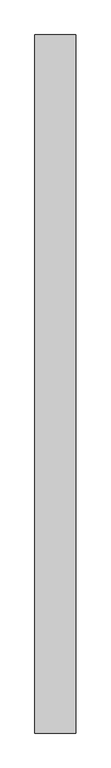
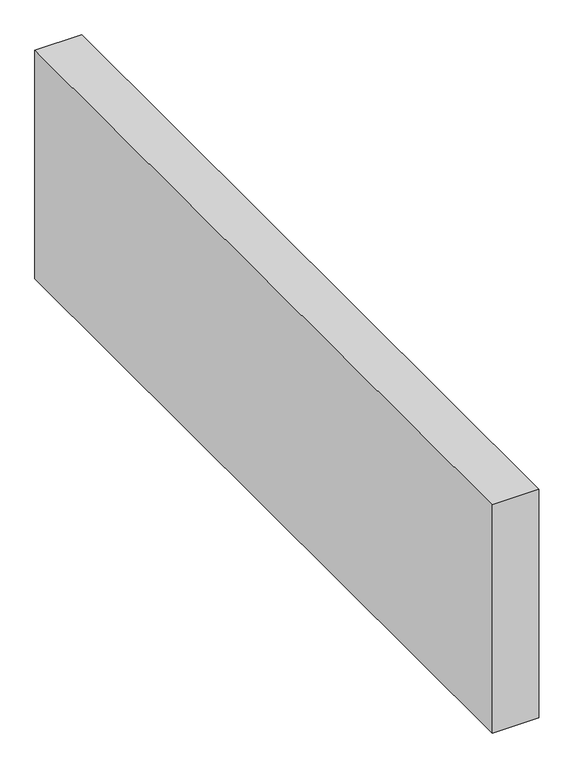
"""IFC4 building model written with IfcOpenShell, lengths in millimetres: proxy geometry."""

from ifc_helpers import new_model, si_unit, origin, origin_with_axes, place, context, project, spatial, polyline, outline, extrude, source, transform, mapped, element, save


def generic_models_b4a5a466(model_context):
    return source(origin(), model_context, "Body", "SweptSolid", [
        extrude(outline(polyline([(150.0, 2550.1247157), (150.0, 0.0), (0.0, 0.0), (0.0, 2550.1247157), (150.0, 2550.1247157)])), origin_with_axes(), (0.0, 0.0, 1.0), 776.6553396),
    ])


if __name__ == "__main__":
    model = new_model("IFC4")
    model_context = context("Model", 3, world=origin())
    ifc_project = project(units=[si_unit("LENGTHUNIT", "METRE", prefix="MILLI")], contexts=[model_context])
    site = spatial("IfcSite", under=ifc_project)
    building = spatial("IfcBuilding", under=site)
    placement = place(None, origin())
    generic_models_shape = generic_models_b4a5a466(model_context)
    element("IfcBuildingElementProxy", 1, Name="Generic Models", at=placement, inside=building, context=model_context, shape_type="MappedRepresentation", body=[
        mapped(generic_models_shape, transform((0.0, 0.0, 0.0), x_axis=(1.0, 0.0, 0.0), y_axis=(0.0, 1.0, 0.0), z_axis=(0.0, 0.0, 1.0))),
    ])
    save(model, "model.ifc")
